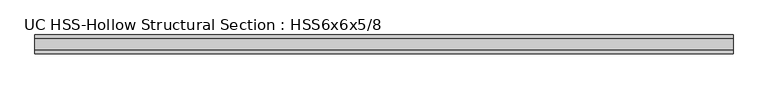
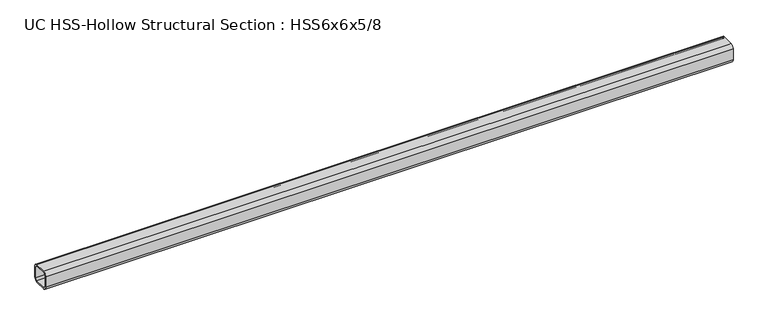
"""IFC4 building model written with IfcOpenShell, lengths in millimetres: beam geometry, UC HSS-Hollow Structural Section : HSS6x6x5/8."""

from ifc_helpers import new_model, si_unit, point, frame, frame_2d, origin, place, context, project, spatial, polyline, circle_curve, trimmed, segment, composite_curve, outline, extrude, source, transform, mapped, element, save


def uc_hss_hollow_structural_section_hss6x6x5_8_48290e20(model_context):
    return source(origin(), model_context, "Body", "SweptSolid", [
        extrude(outline(composite_curve([segment(trimmed(circle_curve(frame_2d((-46.6852, 46.6852)), 29.5148), [point((-76.2, 46.6852))], [point((-46.6852, 76.2))], False, "CARTESIAN"), True, "CONTINUOUS"), segment(polyline([(-46.6852, 76.2), (46.6852, 76.2)]), True, "CONTINUOUS"), segment(trimmed(circle_curve(frame_2d((46.6852, 46.6852)), 29.5148), [point((46.6852, 76.2))], [point((76.2, 46.6852))], False, "CARTESIAN"), True, "CONTINUOUS"), segment(polyline([(76.2, 46.6852), (76.2, -46.6852)]), True, "CONTINUOUS"), segment(trimmed(circle_curve(frame_2d((46.6852, -46.6852)), 29.5148), [point((76.2, -46.6852))], [point((46.6852, -76.2))], False, "CARTESIAN"), True, "CONTINUOUS"), segment(polyline([(46.6852, -76.2), (-46.6852, -76.2)]), True, "CONTINUOUS"), segment(trimmed(circle_curve(frame_2d((-46.6852, -46.6852)), 29.5148), [point((-46.6852, -76.2))], [point((-76.2, -46.6852))], False, "CARTESIAN"), True, "CONTINUOUS"), segment(polyline([(-76.2, -46.6852), (-76.2, 46.6852)]), True, "CONTINUOUS")], self_intersect=False), holes=[composite_curve([segment(polyline([(46.6852, 61.4426), (-46.6852, 61.4426)]), True, "CONTINUOUS"), segment(trimmed(circle_curve(frame_2d((-46.6852, 46.6852)), 14.7574), [point((-46.6852, 61.4426))], [point((-61.4426, 46.6852))], True, "CARTESIAN"), True, "CONTINUOUS"), segment(polyline([(-61.4426, 46.6852), (-61.4426, -46.6852)]), True, "CONTINUOUS"), segment(trimmed(circle_curve(frame_2d((-46.6852, -46.6852)), 14.7574), [point((-61.4426, -46.6852))], [point((-46.6852, -61.4426))], True, "CARTESIAN"), True, "CONTINUOUS"), segment(polyline([(-46.6852, -61.4426), (46.6852, -61.4426)]), True, "CONTINUOUS"), segment(trimmed(circle_curve(frame_2d((46.6852, -46.6852)), 14.7574), [point((46.6852, -61.4426))], [point((61.4426, -46.6852))], True, "CARTESIAN"), True, "CONTINUOUS"), segment(polyline([(61.4426, -46.6852), (61.4426, 46.6852)]), True, "CONTINUOUS"), segment(trimmed(circle_curve(frame_2d((46.6852, 46.6852)), 14.7574), [point((61.4426, 46.6852))], [point((46.6852, 61.4426))], True, "CARTESIAN"), True, "CONTINUOUS")], self_intersect=False)]), frame((-2885.6320155, 0.0, 0.0), z_axis=(1.0, 0.0, 0.0), x_axis=(0.0, 1.0, 0.0)), (0.0, 0.0, 1.0), 5637.6647175),
    ])


if __name__ == "__main__":
    model = new_model("IFC4")
    model_context = context("Model", 3, world=origin())
    ifc_project = project(units=[si_unit("LENGTHUNIT", "METRE", prefix="MILLI")], contexts=[model_context])
    site = spatial("IfcSite", under=ifc_project)
    building = spatial("IfcBuilding", under=site)
    placement = place(None, origin())
    uc_hss_hollow_structural_section_hss6x6x5_8_shape = uc_hss_hollow_structural_section_hss6x6x5_8_48290e20(model_context)
    element("IfcBeam", 1, ObjectType="UC HSS-Hollow Structural Section : HSS6x6x5/8", at=placement, inside=building, context=model_context, shape_type="MappedRepresentation", body=[
        mapped(uc_hss_hollow_structural_section_hss6x6x5_8_shape, transform((0.0, 0.0, 0.0), x_axis=(1.0, 0.0, 0.0), y_axis=(0.0, 1.0, 0.0), z_axis=(0.0, 0.0, 1.0))),
    ])
    save(model, "model.ifc")
